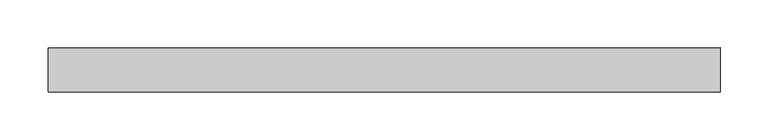
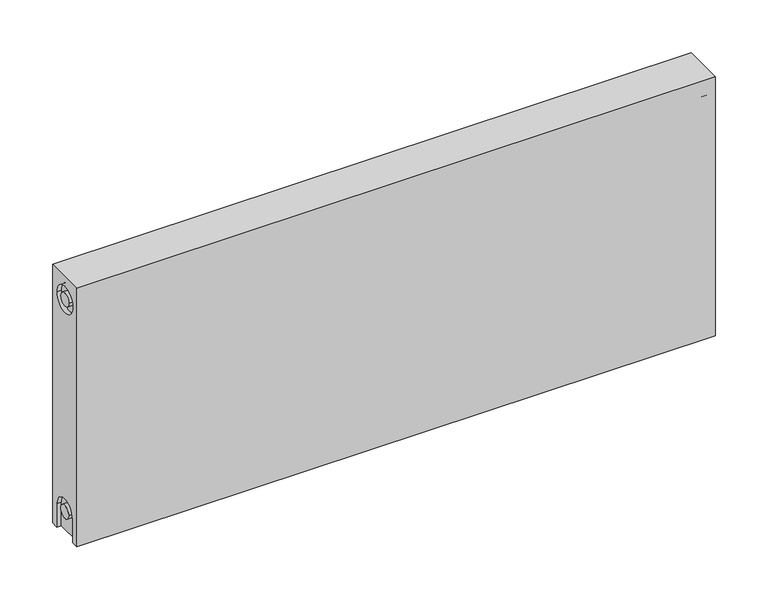
"""IFC4 building model written with IfcOpenShell, lengths in millimetres: proxy geometry."""

from ifc_helpers import new_model, si_unit, frame, origin, place, context, project, spatial, polyline, circle_curve, source, transform, mapped, element, save
from ifc_brep_helpers import plane_surface, cylinder_surface, revolved_surface, advanced_brep


def mechanical_equipment_b004ae0b(model_context):
    return source(origin(), model_context, "Body", "AdvancedBrep", [
        advanced_brep(
        [(700.0, 23.0, 300.0), (700.0, 23.0, 0.0), (0.0, 23.0, 0.0), (0.0, 23.0, 300.0), (700.0, -23.0, 300.0), (0.0, -23.0, 300.0), (0.0, -23.0, 0.0), (700.0, -23.0, 0.0), (700.0, -15.0, 0.0), (700.0, -15.0, 27.0), (700.0, 15.0, 27.0), (700.0, 15.0, 0.0), (700.0, 14.7242393, 273.0), (700.0, -15.2757607, 273.0), (700.0, -7.5, 27.0), (700.0, 7.5, 27.0), (700.0, 7.2242393, 273.0), (700.0, -7.7757607, 273.0), (695.0, 15.0, 0.0), (695.0, -15.0, 0.0), (0.0, -15.0, 0.0), (5.0, -15.0, 0.0), (5.0, 15.0, 0.0), (0.0, 15.0, 0.0), (0.0, 15.0, 27.0), (0.0, -15.0, 27.0), (0.0, -15.2757607, 273.0), (0.0, 14.7242393, 273.0), (0.0, -7.7757607, 273.0), (0.0, 7.2242393, 273.0), (0.0, 7.5, 27.0), (0.0, -7.5, 27.0), (5.0, -15.2757607, 273.0), (5.0, 14.7242393, 273.0), (5.0, -7.7757607, 273.0), (5.0, 7.2242393, 273.0), (5.0, -15.0, 27.0), (5.0, 15.0, 27.0), (5.0, -7.5, 27.0), (5.0, 7.5, 27.0), (695.0, 15.0, 27.0), (695.0, -15.0, 27.0), (695.0, -7.5, 27.0), (695.0, 7.5, 27.0), (695.0, -15.2757607, 273.0), (695.0, 14.7242393, 273.0), (695.0, -7.7757607, 273.0), (695.0, 7.2242393, 273.0)],
        [
            (0, 1),
            (1, 2),
            (2, 3),
            (3, 0),
            (4, 5),
            (5, 6),
            (6, 7),
            (7, 4),
            (0, 4),
            (7, 8),
            (8, 9),
            (9, 10, circle_curve(frame((700.0, 0.0, 27.0), z_axis=(-1.0, 0.0, 0.0), x_axis=(0.0, 1.0, 0.0)), 15.0)),
            (10, 11),
            (11, 1),
            (12, 13, circle_curve(frame((700.0, -0.2757607, 273.0), z_axis=(-1.0, 0.0, 0.0), x_axis=(0.0, 1.0, 0.0)), 15.0)),
            (13, 12, circle_curve(frame((700.0, -0.2757607, 273.0), z_axis=(-1.0, 0.0, 0.0), x_axis=(0.0, 1.0, 0.0)), 15.0)),
            (14, 15, circle_curve(frame((700.0, 0.0, 27.0), z_axis=(1.0, 0.0, 0.0), x_axis=(0.0, 1.0, 0.0)), 7.5)),
            (15, 14, circle_curve(frame((700.0, 0.0, 27.0), z_axis=(1.0, 0.0, 0.0), x_axis=(0.0, 1.0, 0.0)), 7.5)),
            (16, 17, circle_curve(frame((700.0, -0.2757607, 273.0), z_axis=(1.0, 0.0, 0.0), x_axis=(0.0, 1.0, 0.0)), 7.5)),
            (17, 16, circle_curve(frame((700.0, -0.2757607, 273.0), z_axis=(1.0, 0.0, 0.0), x_axis=(0.0, 1.0, 0.0)), 7.5)),
            (11, 18),
            (18, 19),
            (19, 8),
            (6, 20),
            (20, 21),
            (21, 22),
            (22, 23),
            (23, 2),
            (23, 24),
            (24, 25, circle_curve(frame((0.0, 0.0, 27.0), z_axis=(1.0, 0.0, 0.0), x_axis=(0.0, 1.0, 0.0)), 15.0)),
            (25, 20),
            (5, 3),
            (26, 27, circle_curve(frame((0.0, -0.2757607, 273.0), z_axis=(1.0, 0.0, 0.0), x_axis=(0.0, 1.0, 0.0)), 15.0)),
            (27, 26, circle_curve(frame((0.0, -0.2757607, 273.0), z_axis=(1.0, 0.0, 0.0), x_axis=(0.0, 1.0, 0.0)), 15.0)),
            (28, 29, circle_curve(frame((0.0, -0.2757607, 273.0), z_axis=(-1.0, 0.0, 0.0), x_axis=(0.0, 1.0, 0.0)), 7.5)),
            (29, 28, circle_curve(frame((0.0, -0.2757607, 273.0), z_axis=(-1.0, 0.0, 0.0), x_axis=(0.0, 1.0, 0.0)), 7.5)),
            (30, 31, circle_curve(frame((0.0, 0.0, 27.0), z_axis=(-1.0, 0.0, 0.0), x_axis=(0.0, 1.0, 0.0)), 7.5)),
            (31, 30, circle_curve(frame((0.0, 0.0, 27.0), z_axis=(-1.0, 0.0, 0.0), x_axis=(0.0, 1.0, 0.0)), 7.5)),
            (32, 33, circle_curve(frame((5.0, -0.2757607, 273.0), z_axis=(-1.0, 0.0, 0.0), x_axis=(0.0, 1.0, 0.0)), 15.0)),
            (33, 32, circle_curve(frame((5.0, -0.2757607, 273.0), z_axis=(-1.0, 0.0, 0.0), x_axis=(0.0, 1.0, 0.0)), 15.0)),
            (34, 35, circle_curve(frame((5.0, -0.2757607, 273.0), z_axis=(1.0, 0.0, 0.0), x_axis=(0.0, 1.0, 0.0)), 7.5)),
            (35, 34, circle_curve(frame((5.0, -0.2757607, 273.0), z_axis=(1.0, 0.0, 0.0), x_axis=(0.0, 1.0, 0.0)), 7.5)),
            (33, 27),
            (26, 32),
            (35, 29),
            (28, 34),
            (21, 36),
            (36, 37, circle_curve(frame((5.0, 0.0, 27.0), z_axis=(-1.0, 0.0, 0.0), x_axis=(0.0, 1.0, 0.0)), 15.0)),
            (37, 22),
            (38, 39, circle_curve(frame((5.0, 0.0, 27.0), z_axis=(1.0, 0.0, 0.0), x_axis=(0.0, 1.0, 0.0)), 7.5)),
            (39, 38, circle_curve(frame((5.0, 0.0, 27.0), z_axis=(1.0, 0.0, 0.0), x_axis=(0.0, 1.0, 0.0)), 7.5)),
            (38, 31),
            (30, 39),
            (37, 24),
            (36, 25),
            (18, 40),
            (40, 41, circle_curve(frame((695.0, 0.0, 27.0), z_axis=(1.0, 0.0, 0.0), x_axis=(0.0, 1.0, 0.0)), 15.0)),
            (41, 19),
            (42, 43, circle_curve(frame((695.0, 0.0, 27.0), z_axis=(-1.0, 0.0, 0.0), x_axis=(0.0, 1.0, 0.0)), 7.5)),
            (43, 42, circle_curve(frame((695.0, 0.0, 27.0), z_axis=(-1.0, 0.0, 0.0), x_axis=(0.0, 1.0, 0.0)), 7.5)),
            (43, 15),
            (14, 42),
            (10, 40),
            (9, 41),
            (44, 45, circle_curve(frame((695.0, -0.2757607, 273.0), z_axis=(1.0, 0.0, 0.0), x_axis=(0.0, 1.0, 0.0)), 15.0)),
            (45, 44, circle_curve(frame((695.0, -0.2757607, 273.0), z_axis=(1.0, 0.0, 0.0), x_axis=(0.0, 1.0, 0.0)), 15.0)),
            (46, 47, circle_curve(frame((695.0, -0.2757607, 273.0), z_axis=(-1.0, 0.0, 0.0), x_axis=(0.0, 1.0, 0.0)), 7.5)),
            (47, 46, circle_curve(frame((695.0, -0.2757607, 273.0), z_axis=(-1.0, 0.0, 0.0), x_axis=(0.0, 1.0, 0.0)), 7.5)),
            (44, 13),
            (12, 45),
            (46, 17),
            (16, 47),
        ],
        [
            plane_surface(frame((700.0, 23.0, 300.0), z_axis=(0.0, 1.0, 0.0), x_axis=(0.0, 0.0, -1.0))),
            plane_surface(frame((700.0, -23.0, 300.0), z_axis=(0.0, -1.0, 0.0), x_axis=(0.0, 0.0, 1.0))),
            plane_surface(frame((700.0, 23.0, 300.0), z_axis=(1.0, 0.0, 0.0), x_axis=(0.0, -1.0, 0.0))),
            plane_surface(frame((700.0, 23.0, 0.0), z_axis=(0.0, 0.0, -1.0), x_axis=(0.0, -1.0, 0.0))),
            plane_surface(frame((0.0, 23.0, 0.0), z_axis=(-1.0, 0.0, 0.0), x_axis=(0.0, -1.0, 0.0))),
            plane_surface(frame((0.0, 23.0, 300.0), z_axis=(0.0, 0.0, 1.0), x_axis=(0.0, -1.0, 0.0))),
            plane_surface(frame((5.0, 14.7242393, 273.0), z_axis=(-1.0, 0.0, 0.0), x_axis=(0.0, 0.0, 1.0))),
            revolved_surface(polyline([(5.0, 14.7242393, 273.0), (0.0, 14.7242393, 273.0)]), (0.0, -0.2757607, 273.0), (1.0, 0.0, 0.0)),
            cylinder_surface(frame((0.0, -0.2757607, 273.0), z_axis=(-1.0, 0.0, 0.0), x_axis=(0.0, 1.0, 0.0)), 7.5),
            plane_surface(frame((5.0, 7.5, 27.0), z_axis=(-1.0, 0.0, 0.0), x_axis=(0.0, 0.0, -1.0))),
            cylinder_surface(frame((0.0, 0.0, 27.0), z_axis=(-1.0, 0.0, 0.0), x_axis=(0.0, 1.0, 0.0)), 7.5),
            plane_surface(frame((5.0, 15.0, 0.0), z_axis=(0.0, -1.0, 0.0), x_axis=(-1.0, 0.0, 0.0))),
            revolved_surface(polyline([(5.0, 15.0, 27.0), (0.0, 15.0, 27.0)]), (0.0, 0.0, 27.0), (1.0, 0.0, 0.0)),
            plane_surface(frame((5.0, -15.0, 27.0), z_axis=(0.0, 1.0, 0.0), x_axis=(-1.0, 0.0, 0.0))),
            plane_surface(frame((695.0, 7.5, 27.0), z_axis=(1.0, 0.0, 0.0), x_axis=(0.0, 0.0, 1.0))),
            cylinder_surface(frame((695.0, 0.0, 27.0), z_axis=(-1.0, 0.0, 0.0), x_axis=(0.0, 1.0, 0.0)), 7.5),
            plane_surface(frame((700.0, 15.0, 0.0), z_axis=(0.0, -1.0, 0.0), x_axis=(-1.0, 0.0, 0.0))),
            revolved_surface(polyline([(700.0, 15.0, 27.0), (695.0, 15.0, 27.0)]), (895.0, 0.0, 27.0), (1.0, 0.0, 0.0)),
            plane_surface(frame((700.0, -15.0, 27.0), z_axis=(0.0, 1.0, 0.0), x_axis=(-1.0, 0.0, 0.0))),
            plane_surface(frame((695.0, 14.7242393, 273.0), z_axis=(1.0, 0.0, 0.0), x_axis=(0.0, 0.0, -1.0))),
            revolved_surface(polyline([(700.0, 14.7242393, 273.0), (695.0, 14.7242393, 273.0)]), (695.0, -0.2757607, 273.0), (1.0, 0.0, 0.0)),
            cylinder_surface(frame((895.0, -0.2757607, 273.0), z_axis=(-1.0, 0.0, 0.0), x_axis=(0.0, 1.0, 0.0)), 7.5),
        ],
        [
            (0, [[1, 2, 3, 4]]),
            (1, [[5, 6, 7, 8]]),
            (2, [[-1, 9, -8, 10, 11, 12, 13, 14], [15, 16]]),
            (2, [[17, 18]]),
            (2, [[19, 20]]),
            (3, [[-2, -14, 21, 22, 23, -10, -7, 24, 25, 26, 27, 28]]),
            (4, [[-3, -28, 29, 30, 31, -24, -6, 32], [33, 34]]),
            (4, [[35, 36]]),
            (4, [[37, 38]]),
            (5, [[-4, -32, -5, -9]]),
            (6, [[39, 40], [41, 42]]),
            (7, [[-40, 43, -33, 44]]),
            (7, [[-39, -44, -34, -43]]),
            (8, [[-42, 45, -35, 46]]),
            (8, [[-41, -46, -36, -45]]),
            (9, [[47, 48, 49, -26], [50, 51]]),
            (10, [[-50, 52, -37, 53]]),
            (10, [[-51, -53, -38, -52]]),
            (11, [[-49, 54, -29, -27]]),
            (12, [[-48, 55, -30, -54]]),
            (13, [[-47, -25, -31, -55]]),
            (14, [[56, 57, 58, -22], [59, 60]]),
            (15, [[-60, 61, -17, 62]]),
            (15, [[-59, -62, -18, -61]]),
            (16, [[-56, -21, -13, 63]]),
            (17, [[-57, -63, -12, 64]]),
            (18, [[-58, -64, -11, -23]]),
            (19, [[65, 66], [67, 68]]),
            (20, [[-65, 69, -15, 70]]),
            (20, [[-66, -70, -16, -69]]),
            (21, [[-67, 71, -19, 72]]),
            (21, [[-68, -72, -20, -71]]),
        ],
    ),
    ])


if __name__ == "__main__":
    model = new_model("IFC4")
    model_context = context("Model", 3, world=origin())
    ifc_project = project(units=[si_unit("LENGTHUNIT", "METRE", prefix="MILLI")], contexts=[model_context])
    site = spatial("IfcSite", under=ifc_project)
    building = spatial("IfcBuilding", under=site)
    placement = place(None, origin())
    mechanical_equipment_shape = mechanical_equipment_b004ae0b(model_context)
    element("IfcBuildingElementProxy", 1, Name="Mechanical Equipment", at=placement, inside=building, context=model_context, shape_type="MappedRepresentation", body=[
        mapped(mechanical_equipment_shape, transform((0.0, 0.0, 0.0), x_axis=(1.0, 0.0, 0.0), y_axis=(0.0, 1.0, 0.0), z_axis=(0.0, 0.0, 1.0))),
    ])
    save(model, "model.ifc")
